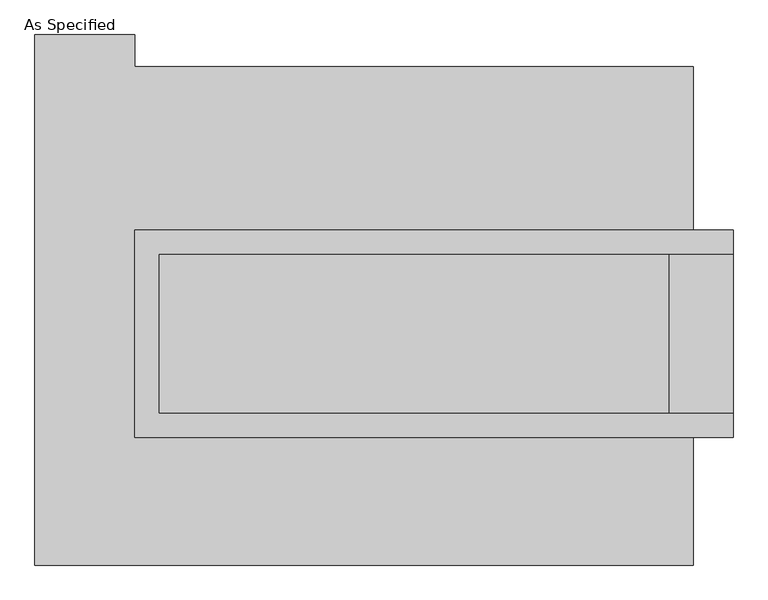
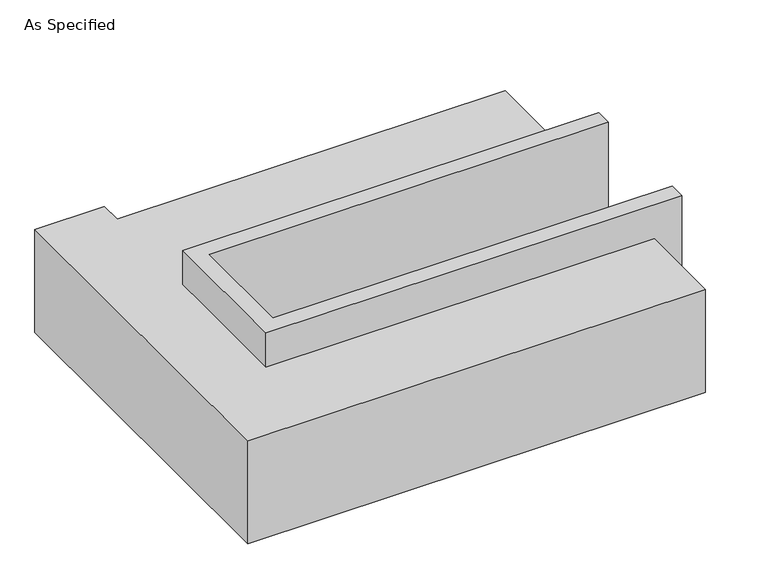
"""IFC4 building model written with IfcOpenShell, lengths in millimetres: proxy geometry, As Specified."""

from ifc_helpers import new_model, si_unit, origin, place, context, project, spatial, faceted_brep, source, transform, mapped, element, save


def as_specified_23f37f64(model_context):
    return source(origin(), model_context, "Body", "Brep", [
        faceted_brep([(-806.45, 273.05, 139.7), (-806.45, 273.05, -393.7), (-806.45, 196.85, -393.7), (-806.45, 196.85, -25.4), (-806.45, -311.15, -25.4), (-806.45, -311.15, -393.7), (-806.45, -387.35, -393.7), (-806.45, -387.35, 139.7), (1098.55, 196.85, 139.7), (1098.55, 196.85, -317.5), (1098.55, -311.15, -317.5), (1098.55, -311.15, 139.7), (1098.55, -387.35, 139.7), (1098.55, -387.35, -393.7), (1098.55, 273.05, -393.7), (1098.55, 273.05, 139.7), (-730.25, -311.15, 139.7), (-730.25, 196.85, 139.7), (895.35, -311.15, -393.7), (895.35, 196.85, -393.7), (895.35, -311.15, -317.5), (-730.25, -311.15, -25.4), (895.35, 196.85, -317.5), (-730.25, 196.85, -25.4)], [[[0, 1, 2, 3, 4, 5, 6, 7]], [[8, 9, 10, 11, 12, 13, 14, 15]], [[0, 7, 12, 11, 16, 17, 8, 15]], [[1, 0, 15, 14]], [[14, 13, 6, 5, 18, 19, 2, 1]], [[7, 6, 13, 12]], [[11, 10, 20, 18, 5, 4, 21, 16]], [[10, 9, 22, 20]], [[9, 8, 17, 23, 3, 2, 19, 22]], [[18, 20, 22, 19]], [[23, 21, 4, 3]], [[17, 16, 21, 23]]]),
        faceted_brep([(971.55, -793.75, -523.9742188), (-1123.95, -793.75, -523.9742188), (-1123.95, 895.35, -523.9742188), (-806.45, 895.35, -523.9742188), (-806.45, 793.75, -523.9742188), (971.55, 793.75, -523.9742188), (-1123.95, -793.75, -25.4), (971.55, -793.75, -25.4), (971.55, -387.35, -25.4), (-806.45, -387.35, -25.4), (-806.45, 273.05, -25.4), (971.55, 273.05, -25.4), (971.55, 793.75, -25.4), (-806.45, 793.75, -25.4), (-806.45, 895.35, -25.4), (-1123.95, 895.35, -25.4), (971.55, 273.05, -393.7), (971.55, -387.35, -393.7), (-806.45, -387.35, -393.7), (-806.45, 273.05, -393.7)], [[[0, 1, 2, 3, 4, 5]], [[6, 7, 8, 9, 10, 11, 12, 13, 14, 15]], [[12, 5, 4, 13]], [[2, 1, 6, 15]], [[5, 12, 11, 16, 17, 8, 7, 0]], [[1, 0, 7, 6]], [[18, 19, 10, 9]], [[10, 19, 16, 11]], [[19, 18, 17, 16]], [[18, 9, 8, 17]], [[3, 2, 15, 14]], [[4, 3, 14, 13]]]),
    ])


if __name__ == "__main__":
    model = new_model("IFC4")
    model_context = context("Model", 3, world=origin())
    ifc_project = project(units=[si_unit("LENGTHUNIT", "METRE", prefix="MILLI")], contexts=[model_context])
    site = spatial("IfcSite", under=ifc_project)
    building = spatial("IfcBuilding", under=site)
    placement = place(None, origin())
    as_specified_shape = as_specified_23f37f64(model_context)
    element("IfcBuildingElementProxy", 1, Name="As Specified", ObjectType="As Specified", at=placement, inside=building, context=model_context, shape_type="MappedRepresentation", body=[
        mapped(as_specified_shape, transform((0.0, 0.0, 0.0), x_axis=(1.0, 0.0, 0.0), y_axis=(0.0, 1.0, 0.0), z_axis=(0.0, 0.0, 1.0))),
    ])
    save(model, "model.ifc")
